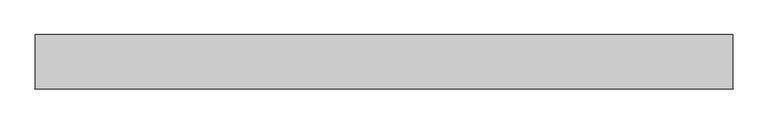
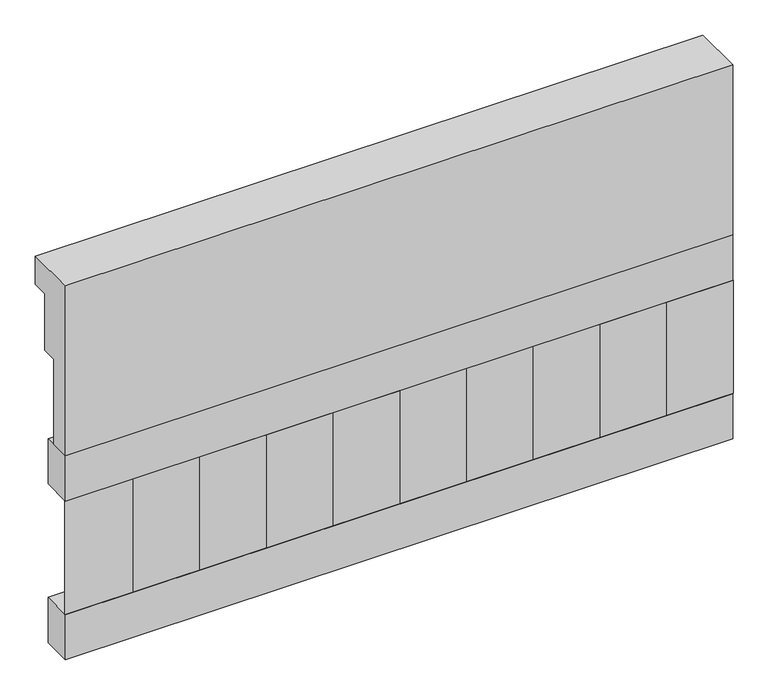
"""IFC4 building model written with IfcOpenShell, lengths in millimetres: railing geometry."""

from ifc_helpers import new_model, si_unit, frame, origin, place, context, project, spatial, polyline, outline, extrude, source, transform, mapped, element, save


def railing_f7aa9e78(model_context):
    return source(origin(), model_context, "Body", "SweptSolid", [
        extrude(outline(polyline([(903.1079487, 28400.0), (1033.1079487, 28400.0), (1033.1079487, 28325.0), (993.1079487, 28325.0), (993.1079487, 28175.0), (953.1079487, 28175.0), (953.1079487, 27950.0), (903.1079487, 27950.0), (903.1079487, 28400.0)])), frame((-36509.9887159, 0.0, 0.0), z_axis=(1.0, 0.0, 0.0), x_axis=(0.0, 1.0, 0.0)), (0.0, 0.0, 1.0), 1670.0),
        extrude(outline(polyline([(-34839.9887159, 978.1079487), (-34839.9887159, 903.1079487), (-36509.9887159, 903.1079487), (-36509.9887159, 978.1079487), (-34839.9887159, 978.1079487)])), frame((0.0, 0.0, 27830.0), z_axis=(0.0, 0.0, 1.0), x_axis=(1.0, 0.0, 0.0)), (0.0, 0.0, 1.0), 120.0),
        extrude(outline(polyline([(-34839.9887159, 978.1079487), (-34839.9887159, 903.1079487), (-36509.9887159, 903.1079487), (-36509.9887159, 978.1079487), (-34839.9887159, 978.1079487)])), frame((0.0, 0.0, 27410.0), z_axis=(0.0, 0.0, 1.0), x_axis=(1.0, 0.0, 0.0)), (0.0, 0.0, 1.0), 120.0),
        extrude(outline(polyline([(-36426.4887159, 987.9607624), (-36341.6359022, 903.1079487), (-36511.3415296, 903.1079487), (-36426.4887159, 987.9607624)])), frame((0.0, 0.0, 27530.0), z_axis=(0.0, 0.0, 1.0), x_axis=(1.0, 0.0, 0.0)), (0.0, 0.0, 1.0), 300.0),
        extrude(outline(polyline([(-36259.4887159, 987.9607624), (-36174.6359022, 903.1079487), (-36344.3415296, 903.1079487), (-36259.4887159, 987.9607624)])), frame((0.0, 0.0, 27530.0), z_axis=(0.0, 0.0, 1.0), x_axis=(1.0, 0.0, 0.0)), (0.0, 0.0, 1.0), 300.0),
        extrude(outline(polyline([(-36092.4887159, 987.9607624), (-36007.6359022, 903.1079487), (-36177.3415296, 903.1079487), (-36092.4887159, 987.9607624)])), frame((0.0, 0.0, 27530.0), z_axis=(0.0, 0.0, 1.0), x_axis=(1.0, 0.0, 0.0)), (0.0, 0.0, 1.0), 300.0),
        extrude(outline(polyline([(-35925.4887159, 987.9607624), (-35840.6359022, 903.1079487), (-36010.3415296, 903.1079487), (-35925.4887159, 987.9607624)])), frame((0.0, 0.0, 27530.0), z_axis=(0.0, 0.0, 1.0), x_axis=(1.0, 0.0, 0.0)), (0.0, 0.0, 1.0), 300.0),
        extrude(outline(polyline([(-35758.4887159, 987.9607624), (-35673.6359022, 903.1079487), (-35843.3415296, 903.1079487), (-35758.4887159, 987.9607624)])), frame((0.0, 0.0, 27530.0), z_axis=(0.0, 0.0, 1.0), x_axis=(1.0, 0.0, 0.0)), (0.0, 0.0, 1.0), 300.0),
        extrude(outline(polyline([(-35591.4887159, 987.9607624), (-35506.6359022, 903.1079487), (-35676.3415296, 903.1079487), (-35591.4887159, 987.9607624)])), frame((0.0, 0.0, 27530.0), z_axis=(0.0, 0.0, 1.0), x_axis=(1.0, 0.0, 0.0)), (0.0, 0.0, 1.0), 300.0),
        extrude(outline(polyline([(-35424.4887159, 987.9607624), (-35339.6359022, 903.1079487), (-35509.3415296, 903.1079487), (-35424.4887159, 987.9607624)])), frame((0.0, 0.0, 27530.0), z_axis=(0.0, 0.0, 1.0), x_axis=(1.0, 0.0, 0.0)), (0.0, 0.0, 1.0), 300.0),
        extrude(outline(polyline([(-35257.4887159, 987.9607624), (-35172.6359022, 903.1079487), (-35342.3415296, 903.1079487), (-35257.4887159, 987.9607624)])), frame((0.0, 0.0, 27530.0), z_axis=(0.0, 0.0, 1.0), x_axis=(1.0, 0.0, 0.0)), (0.0, 0.0, 1.0), 300.0),
        extrude(outline(polyline([(-35090.4887159, 987.9607624), (-35005.6359022, 903.1079487), (-35175.3415296, 903.1079487), (-35090.4887159, 987.9607624)])), frame((0.0, 0.0, 27530.0), z_axis=(0.0, 0.0, 1.0), x_axis=(1.0, 0.0, 0.0)), (0.0, 0.0, 1.0), 300.0),
        extrude(outline(polyline([(-34923.4887159, 987.9607624), (-34838.6359022, 903.1079487), (-35008.3415296, 903.1079487), (-34923.4887159, 987.9607624)])), frame((0.0, 0.0, 27530.0), z_axis=(0.0, 0.0, 1.0), x_axis=(1.0, 0.0, 0.0)), (0.0, 0.0, 1.0), 300.0),
    ])


if __name__ == "__main__":
    model = new_model("IFC4")
    model_context = context("Model", 3, world=origin())
    ifc_project = project(units=[si_unit("LENGTHUNIT", "METRE", prefix="MILLI")], contexts=[model_context])
    site = spatial("IfcSite", under=ifc_project)
    building = spatial("IfcBuilding", under=site)
    placement = place(None, origin())
    railing_shape = railing_f7aa9e78(model_context)
    element("IfcRailing", 1, at=placement, inside=building, context=model_context, shape_type="MappedRepresentation", body=[
        mapped(railing_shape, transform((0.0, 0.0, 0.0), x_axis=(1.0, 0.0, 0.0), y_axis=(0.0, 1.0, 0.0), z_axis=(0.0, 0.0, 1.0))),
    ])
    save(model, "model.ifc")
